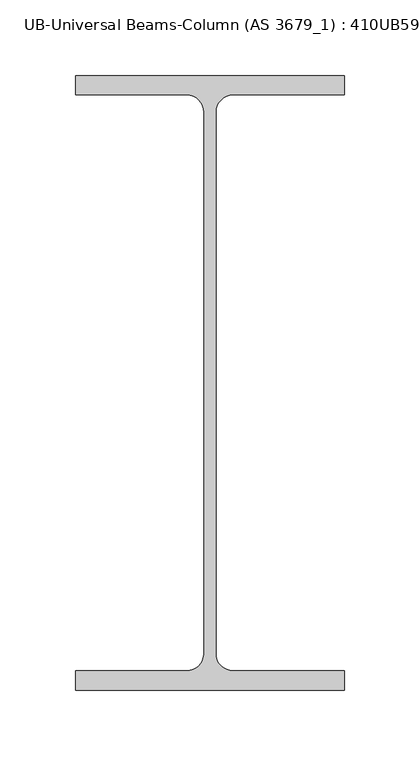
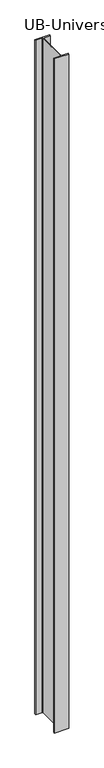
"""IFC4 building model written with IfcOpenShell, lengths in millimetres: column geometry, UB-Universal Beams-Column (AS 3679_1) : 410UB59.7."""

import ifcopenshell
import ifcopenshell.guid

model = None  # the IFC model being written
_history = None  # IfcOwnerHistory: only IFC2X3 demands one
_inside = {}  # id of a spatial element -> (the spatial element, [elements in it])
_under = {}  # id of a project, library or spatial element -> (it, [spatial elements below it])
_declared = {}  # id of a project -> (the project, [libraries it declares])
_typed = {}  # id of a type object -> (the type object, [elements of that type])
_made_of = {}  # id of a material, layer set ... -> (it, [elements and type objects made of it])


def new_model(schema):
    """Start an empty IFC model of exactly this schema.

    Asked for "IFC4X3", IfcOpenShell would pick the latest addendum, in which some entities
    have other attributes; the version numbers below select the first issue.
    IFC2X3 requires an IfcOwnerHistory on every rooted entity: one is made here for all.
    """
    global model, _history
    if schema == "IFC4X3":
        model = ifcopenshell.file(schema_version=(4, 3, 0, 0))
    else:
        model = ifcopenshell.file(schema=schema)
    _inside.clear()
    _under.clear()
    _declared.clear()
    _typed.clear()
    _made_of.clear()
    _history = None
    if model.schema == "IFC2X3":
        org = make("IfcOrganization", Name="unknown")
        user = make(
            "IfcPersonAndOrganization",
            ThePerson=make("IfcPerson", FamilyName="unknown"),
            TheOrganization=org,
        )
        app = make(
            "IfcApplication",
            ApplicationDeveloper=org,
            Version="unknown",
            ApplicationFullName="unknown",
            ApplicationIdentifier="unknown",
        )
        _history = make(
            "IfcOwnerHistory",
            OwningUser=user,
            OwningApplication=app,
            ChangeAction="ADDED",
            CreationDate=0,
        )
    return model


def make(cls, **values):
    """One entity of the class cls with the attributes given. An attribute that is None is left unset."""
    return model.create_entity(
        cls, **{name: value for name, value in values.items() if value is not None}
    )


def rooted(cls, **values):
    """An entity with a GlobalId (a new one), such as an element, a storey or a relation."""
    return make(cls, GlobalId=ifcopenshell.guid.new(), OwnerHistory=_history, **values)


def si_unit(unit_type, name, prefix=None):
    """IfcSIUnit, for example si_unit("LENGTHUNIT", "METRE", prefix="MILLI")."""
    return make("IfcSIUnit", UnitType=unit_type, Prefix=prefix, Name=name)


def assignment(units):
    """IfcUnitAssignment: the units of a project."""
    return None if units is None else make("IfcUnitAssignment", Units=units)


def point(xyz):
    """IfcCartesianPoint."""
    return None if xyz is None else make("IfcCartesianPoint", Coordinates=xyz)


def direction(xyz):
    """IfcDirection."""
    return None if xyz is None else make("IfcDirection", DirectionRatios=xyz)


def frame(location, z_axis=None, x_axis=None):
    """IfcAxis2Placement3D, a coordinate frame: its origin and axes. An axis left out is left unset."""
    return make(
        "IfcAxis2Placement3D",
        Location=point(location),
        Axis=direction(z_axis),
        RefDirection=direction(x_axis),
    )


def frame_2d(location, x_axis=None):
    """IfcAxis2Placement2D, a coordinate frame in the plane: its origin and x axis."""
    return make(
        "IfcAxis2Placement2D", Location=point(location), RefDirection=direction(x_axis)
    )


def origin():
    """The frame at (0, 0, 0) with its axes left unset."""
    return frame((0.0, 0.0, 0.0))


def place(relative_to, where):
    """IfcLocalPlacement: puts the frame where relative to a parent placement (None: the world)."""
    return make(
        "IfcLocalPlacement", PlacementRelTo=relative_to, RelativePlacement=where
    )


def context(
    kind, dimensions, precision=None, world=None, true_north=None, identifier=None
):
    """IfcGeometricRepresentationContext, for example the 3D "Model" context."""
    return make(
        "IfcGeometricRepresentationContext",
        ContextIdentifier=identifier,
        ContextType=kind,
        CoordinateSpaceDimension=dimensions,
        Precision=precision,
        WorldCoordinateSystem=world,
        TrueNorth=true_north,
    )


def project(units=None, contexts=None):
    """IfcProject with its units and contexts."""
    return rooted(
        "IfcProject",
        Name="project",
        RepresentationContexts=contexts,
        UnitsInContext=assignment(units),
    )


def spatial(cls, under=None, at=None, **own):
    """A site, building, storey or space (cls), placed at a placement, below another one or the project."""
    s = rooted(cls, ObjectPlacement=at, **own)
    if under is not None:
        _under.setdefault(under.id(), (under, []))[1].append(s)
    return s


def polyline(points):
    """IfcPolyline through the points."""
    return make("IfcPolyline", Points=[point(p) for p in points])


def circle_curve(where, radius):
    """IfcCircle in the frame where."""
    return make("IfcCircle", Position=where, Radius=radius)


def trimmed(basis, trim1, trim2, sense, master):
    """IfcTrimmedCurve: the piece of a basis curve between two trims."""
    return make(
        "IfcTrimmedCurve",
        BasisCurve=basis,
        Trim1=trim1,
        Trim2=trim2,
        SenseAgreement=sense,
        MasterRepresentation=master,
    )


def segment(curve, same_sense, transition):
    """IfcCompositeCurveSegment."""
    return make(
        "IfcCompositeCurveSegment",
        Transition=transition,
        SameSense=same_sense,
        ParentCurve=curve,
    )


def composite_curve(segments, self_intersect=None):
    """IfcCompositeCurve: segments joined end to end."""
    return make("IfcCompositeCurve", Segments=segments, SelfIntersect=self_intersect)


def outline(outer, holes=None, kind="AREA"):
    """IfcArbitraryClosedProfileDef: a profile drawn as a closed curve; with holes, ...WithVoids."""
    if holes is None:
        return make("IfcArbitraryClosedProfileDef", ProfileType=kind, OuterCurve=outer)
    return make(
        "IfcArbitraryProfileDefWithVoids",
        ProfileType=kind,
        OuterCurve=outer,
        InnerCurves=holes,
    )


def extrude(swept, where, along, depth):
    """IfcExtrudedAreaSolid: the profile swept, set in the frame where, extruded along a direction by depth."""
    return make(
        "IfcExtrudedAreaSolid",
        SweptArea=swept,
        Position=where,
        ExtrudedDirection=direction(along),
        Depth=depth,
    )


def shape(context_of_items, identifier, shape_type, items):
    """IfcShapeRepresentation: the items that make up one representation, for example the "Body"."""
    return make(
        "IfcShapeRepresentation",
        ContextOfItems=context_of_items,
        RepresentationIdentifier=identifier,
        RepresentationType=shape_type,
        Items=items,
    )


def source(mapping_origin, context_of_items, identifier, shape_type, items):
    """IfcRepresentationMap: a shape defined once, which mapped items show again and again."""
    return make(
        "IfcRepresentationMap",
        MappingOrigin=mapping_origin,
        MappedRepresentation=shape(context_of_items, identifier, shape_type, items),
    )


def transform(
    local_origin,
    x_axis=None,
    y_axis=None,
    z_axis=None,
    scale=None,
    scale2=None,
    scale3=None,
    uniform=True,
):
    """IfcCartesianTransformationOperator3D, or its non-uniform kind. x_axis, y_axis, z_axis: its Axis1, 2, 3."""
    if uniform:
        return make(
            "IfcCartesianTransformationOperator3D",
            Axis1=direction(x_axis),
            Axis2=direction(y_axis),
            LocalOrigin=point(local_origin),
            Scale=scale,
            Axis3=direction(z_axis),
        )
    return make(
        "IfcCartesianTransformationOperator3DnonUniform",
        Axis1=direction(x_axis),
        Axis2=direction(y_axis),
        LocalOrigin=point(local_origin),
        Scale=scale,
        Axis3=direction(z_axis),
        Scale2=scale2,
        Scale3=scale3,
    )


def mapped(mapping_source, mapping_target):
    """IfcMappedItem: shows the shape of a source again, moved by a transform."""
    return make(
        "IfcMappedItem", MappingSource=mapping_source, MappingTarget=mapping_target
    )


def made_of(thing, what):
    """Note that an element or type object is made of a material, layer set ...; save() writes the relation."""
    if what is not None:
        _made_of.setdefault(what.id(), (what, []))[1].append(thing)
    return thing


def element(
    cls,
    number,
    at=None,
    inside=None,
    cuts=None,
    type_object=None,
    material=None,
    context=None,
    identifier="Body",
    shape_type=None,
    held_by="IfcProductDefinitionShape",
    body=None,
    shapes=None,
    **own,
):
    """One element of the class cls, such as IfcWall. Its Tag is "e" and its number.

    at: its placement. inside: the storey or other place that contains it. cuts: it is an
    opening in that element (IfcRelVoidsElement). A single representation is given by context,
    identifier, shape_type and body (its items); several are given by shapes. held_by: the class
    of the entity that holds the representations. save() writes the other relations.
    """
    e = rooted(cls, Tag="e%d" % number, ObjectPlacement=at, **own)
    if body is not None:
        shapes = [shape(context, identifier, shape_type, body)]
    if shapes is not None:
        e.Representation = make(held_by, Representations=shapes)
    if inside is not None:
        _inside.setdefault(inside.id(), (inside, []))[1].append(e)
    if cuts is not None:
        rooted(
            "IfcRelVoidsElement", RelatingBuildingElement=cuts, RelatedOpeningElement=e
        )
    if type_object is not None:
        _typed.setdefault(type_object.id(), (type_object, []))[1].append(e)
    return made_of(e, material)


def aggregate(whole, parts):
    """IfcRelAggregates: a whole, such as a stair, and the parts it consists of."""
    return rooted("IfcRelAggregates", RelatingObject=whole, RelatedObjects=parts)


def save(model, path):
    """Write the relations noted so far, then the file.

    IfcRelAggregates (storeys below a building ...), IfcRelContainedInSpatialStructure (elements
    in a storey), IfcRelDefinesByType, IfcRelAssociatesMaterial and IfcRelDeclares: one each for
    every whole, place, type object, material and project.
    """
    for whole, parts in _under.values():
        aggregate(whole, parts)
    for where, things in _inside.values():
        rooted(
            "IfcRelContainedInSpatialStructure",
            RelatedElements=things,
            RelatingStructure=where,
        )
    for kind, things in _typed.values():
        rooted("IfcRelDefinesByType", RelatedObjects=things, RelatingType=kind)
    for what, things in _made_of.values():
        rooted("IfcRelAssociatesMaterial", RelatedObjects=things, RelatingMaterial=what)
    for by, libraries in _declared.values():
        rooted("IfcRelDeclares", RelatingContext=by, RelatedDefinitions=libraries)
    model.write(path)


def ub_universal_beams_column_as_3679_1_410ub59_7_ccd21895(model_context):
    return source(origin(), model_context, "Body", "SweptSolid", [
        extrude(outline(composite_curve([segment(polyline([(89.0, -203.2), (-89.0, -203.2), (-89.0, -190.4), (-15.3, -190.4)]), True, "CONTINUOUS"), segment(trimmed(circle_curve(frame_2d((-15.3, -179.0)), 11.4), [point((-15.3, -190.4))], [point((-3.9, -179.0))], True, "CARTESIAN"), True, "CONTINUOUS"), segment(polyline([(-3.9, -179.0), (-3.9, 179.0)]), True, "CONTINUOUS"), segment(trimmed(circle_curve(frame_2d((-15.3, 179.0)), 11.4), [point((-3.9, 179.0))], [point((-15.3, 190.4))], True, "CARTESIAN"), True, "CONTINUOUS"), segment(polyline([(-15.3, 190.4), (-89.0, 190.4), (-89.0, 203.2), (89.0, 203.2), (89.0, 190.4), (15.3, 190.4)]), True, "CONTINUOUS"), segment(trimmed(circle_curve(frame_2d((15.3, 179.0)), 11.4), [point((15.3, 190.4))], [point((3.9, 179.0))], True, "CARTESIAN"), True, "CONTINUOUS"), segment(polyline([(3.9, 179.0), (3.9, -179.0)]), True, "CONTINUOUS"), segment(trimmed(circle_curve(frame_2d((15.3, -179.0)), 11.4), [point((3.9, -179.0))], [point((15.3, -190.4))], True, "CARTESIAN"), True, "CONTINUOUS"), segment(polyline([(15.3, -190.4), (89.0, -190.4), (89.0, -203.2)]), True, "CONTINUOUS")], self_intersect=False)), frame((0.0, 0.0, -230.0), z_axis=(0.0, 0.0, 1.0), x_axis=(1.0, 0.0, 0.0)), (0.0, 0.0, 1.0), 8669.0),
    ])


if __name__ == "__main__":
    model = new_model("IFC4")
    model_context = context("Model", 3, world=origin())
    ifc_project = project(units=[si_unit("LENGTHUNIT", "METRE", prefix="MILLI")], contexts=[model_context])
    site = spatial("IfcSite", under=ifc_project)
    building = spatial("IfcBuilding", under=site)
    placement = place(None, origin())
    ub_universal_beams_column_as_3679_1_410ub59_7_shape = ub_universal_beams_column_as_3679_1_410ub59_7_ccd21895(model_context)
    element("IfcColumn", 1, ObjectType="UB-Universal Beams-Column (AS 3679_1) : 410UB59.7", at=placement, inside=building, context=model_context, shape_type="MappedRepresentation", body=[
        mapped(ub_universal_beams_column_as_3679_1_410ub59_7_shape, transform((0.0, 0.0, 0.0), x_axis=(1.0, 0.0, 0.0), y_axis=(0.0, 1.0, 0.0), z_axis=(0.0, 0.0, 1.0))),
    ])
    save(model, "model.ifc")
